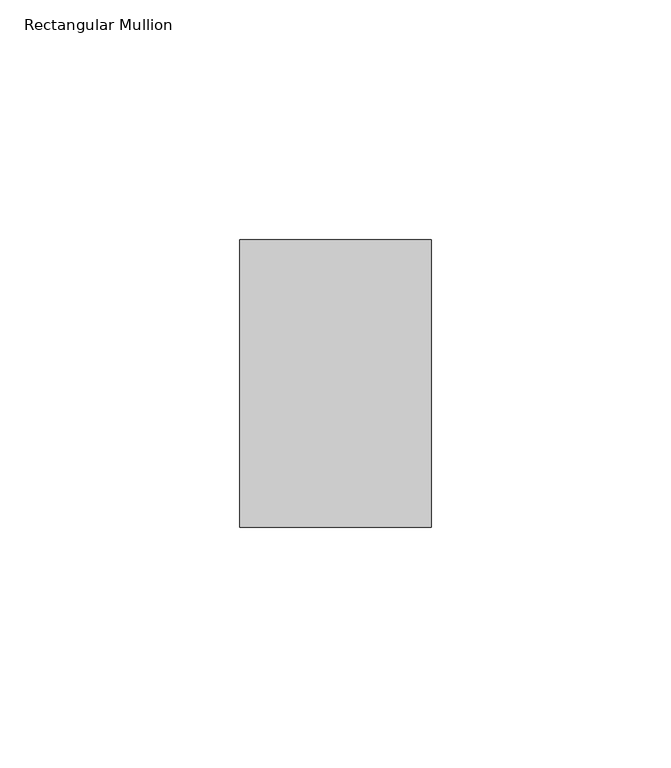
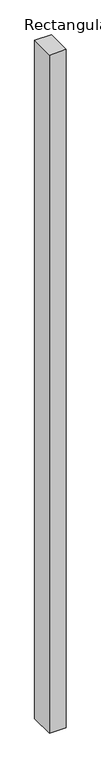
"""IFC4 building model written with IfcOpenShell, lengths in millimetres: member geometry, Rectangular Mullion."""

from ifc_helpers import new_model, si_unit, frame, origin, place, context, project, spatial, polyline, outline, extrude, source, transform, mapped, element, save


def rectangular_mullion_53af3bbc(model_context):
    return source(origin(), model_context, "Body", "SweptSolid", [
        extrude(outline(polyline([(0.0, 65.0), (0.0, 5.0), (-40.0, 5.0), (-40.0, 65.0), (0.0, 65.0)])), frame((0.0, 0.0, -1700.0), z_axis=(0.0, 0.0, 1.0), x_axis=(1.0, 0.0, 0.0)), (0.0, 0.0, 1.0), 1700.0),
    ])


if __name__ == "__main__":
    model = new_model("IFC4")
    model_context = context("Model", 3, world=origin())
    ifc_project = project(units=[si_unit("LENGTHUNIT", "METRE", prefix="MILLI")], contexts=[model_context])
    site = spatial("IfcSite", under=ifc_project)
    building = spatial("IfcBuilding", under=site)
    placement = place(None, origin())
    rectangular_mullion_shape = rectangular_mullion_53af3bbc(model_context)
    element("IfcMember", 1, ObjectType="Rectangular Mullion", at=placement, inside=building, context=model_context, shape_type="MappedRepresentation", body=[
        mapped(rectangular_mullion_shape, transform((0.0, 0.0, 0.0), x_axis=(1.0, 0.0, 0.0), y_axis=(0.0, 1.0, 0.0), z_axis=(0.0, 0.0, 1.0))),
    ])
    save(model, "model.ifc")
